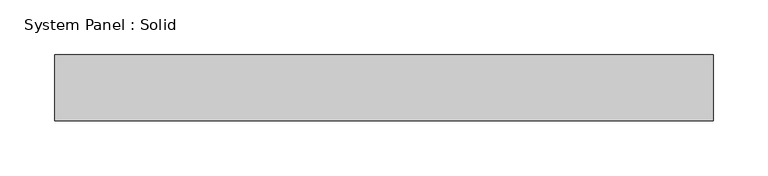
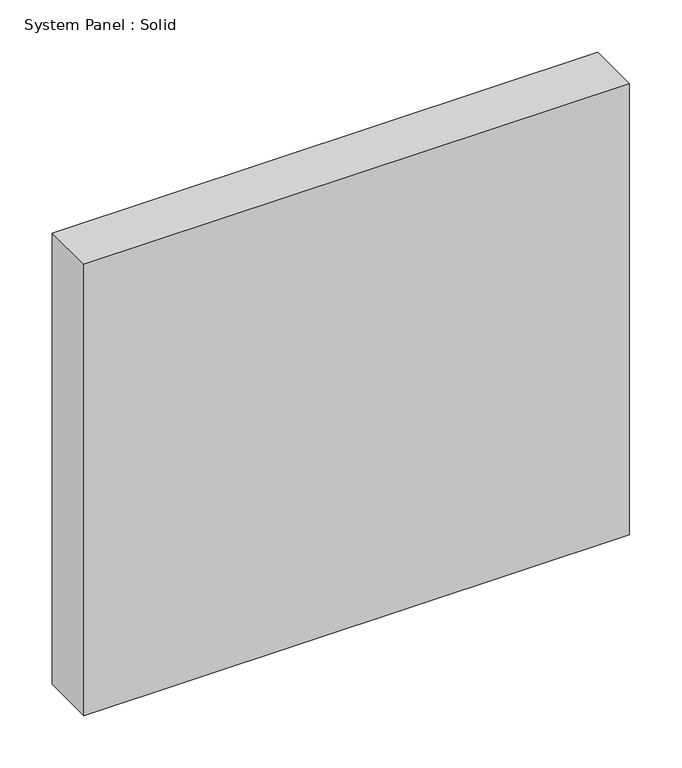
"""IFC4 building model written with IfcOpenShell, lengths in millimetres: plate geometry, System Panel : Solid."""

from ifc_helpers import new_model, si_unit, origin, origin_with_axes, place, context, project, spatial, polyline, outline, extrude, source, transform, mapped, element, save


def system_panel_solid_9cb04001(model_context):
    return source(origin(), model_context, "Body", "SweptSolid", [
        extrude(outline(polyline([(300.0, -10.5), (-300.0, -10.5), (-300.0, 49.5), (300.0, 49.5), (300.0, -10.5)])), origin_with_axes(), (0.0, 0.0, 1.0), 525.0),
    ])


if __name__ == "__main__":
    model = new_model("IFC4")
    model_context = context("Model", 3, world=origin())
    ifc_project = project(units=[si_unit("LENGTHUNIT", "METRE", prefix="MILLI")], contexts=[model_context])
    site = spatial("IfcSite", under=ifc_project)
    building = spatial("IfcBuilding", under=site)
    placement = place(None, origin())
    system_panel_solid_shape = system_panel_solid_9cb04001(model_context)
    element("IfcPlate", 1, ObjectType="System Panel : Solid", at=placement, inside=building, context=model_context, shape_type="MappedRepresentation", body=[
        mapped(system_panel_solid_shape, transform((0.0, 0.0, 0.0), x_axis=(1.0, 0.0, 0.0), y_axis=(0.0, 1.0, 0.0), z_axis=(0.0, 0.0, 1.0))),
    ])
    save(model, "model.ifc")
